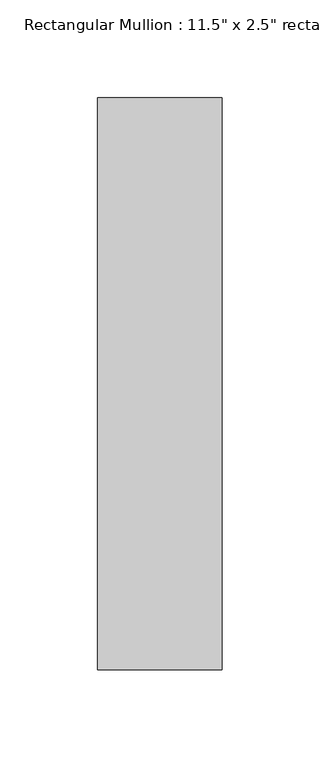
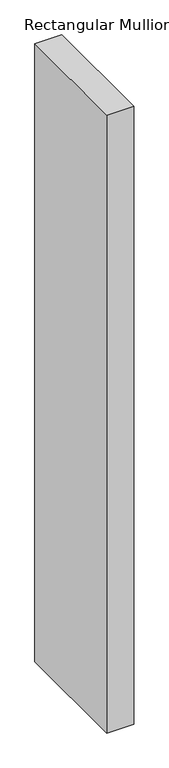
"""IFC4 building model written with IfcOpenShell, lengths in millimetres: member geometry."""

import ifcopenshell
import ifcopenshell.guid

model = None  # the IFC model being written
_history = None  # IfcOwnerHistory: only IFC2X3 demands one
_inside = {}  # id of a spatial element -> (the spatial element, [elements in it])
_under = {}  # id of a project, library or spatial element -> (it, [spatial elements below it])
_declared = {}  # id of a project -> (the project, [libraries it declares])
_typed = {}  # id of a type object -> (the type object, [elements of that type])
_made_of = {}  # id of a material, layer set ... -> (it, [elements and type objects made of it])


def new_model(schema):
    """Start an empty IFC model of exactly this schema.

    Asked for "IFC4X3", IfcOpenShell would pick the latest addendum, in which some entities
    have other attributes; the version numbers below select the first issue.
    IFC2X3 requires an IfcOwnerHistory on every rooted entity: one is made here for all.
    """
    global model, _history
    if schema == "IFC4X3":
        model = ifcopenshell.file(schema_version=(4, 3, 0, 0))
    else:
        model = ifcopenshell.file(schema=schema)
    _inside.clear()
    _under.clear()
    _declared.clear()
    _typed.clear()
    _made_of.clear()
    _history = None
    if model.schema == "IFC2X3":
        org = make("IfcOrganization", Name="unknown")
        user = make(
            "IfcPersonAndOrganization",
            ThePerson=make("IfcPerson", FamilyName="unknown"),
            TheOrganization=org,
        )
        app = make(
            "IfcApplication",
            ApplicationDeveloper=org,
            Version="unknown",
            ApplicationFullName="unknown",
            ApplicationIdentifier="unknown",
        )
        _history = make(
            "IfcOwnerHistory",
            OwningUser=user,
            OwningApplication=app,
            ChangeAction="ADDED",
            CreationDate=0,
        )
    return model


def make(cls, **values):
    """One entity of the class cls with the attributes given. An attribute that is None is left unset."""
    return model.create_entity(
        cls, **{name: value for name, value in values.items() if value is not None}
    )


def rooted(cls, **values):
    """An entity with a GlobalId (a new one), such as an element, a storey or a relation."""
    return make(cls, GlobalId=ifcopenshell.guid.new(), OwnerHistory=_history, **values)


def si_unit(unit_type, name, prefix=None):
    """IfcSIUnit, for example si_unit("LENGTHUNIT", "METRE", prefix="MILLI")."""
    return make("IfcSIUnit", UnitType=unit_type, Prefix=prefix, Name=name)


def assignment(units):
    """IfcUnitAssignment: the units of a project."""
    return None if units is None else make("IfcUnitAssignment", Units=units)


def point(xyz):
    """IfcCartesianPoint."""
    return None if xyz is None else make("IfcCartesianPoint", Coordinates=xyz)


def direction(xyz):
    """IfcDirection."""
    return None if xyz is None else make("IfcDirection", DirectionRatios=xyz)


def frame(location, z_axis=None, x_axis=None):
    """IfcAxis2Placement3D, a coordinate frame: its origin and axes. An axis left out is left unset."""
    return make(
        "IfcAxis2Placement3D",
        Location=point(location),
        Axis=direction(z_axis),
        RefDirection=direction(x_axis),
    )


def origin():
    """The frame at (0, 0, 0) with its axes left unset."""
    return frame((0.0, 0.0, 0.0))


def place(relative_to, where):
    """IfcLocalPlacement: puts the frame where relative to a parent placement (None: the world)."""
    return make(
        "IfcLocalPlacement", PlacementRelTo=relative_to, RelativePlacement=where
    )


def context(
    kind, dimensions, precision=None, world=None, true_north=None, identifier=None
):
    """IfcGeometricRepresentationContext, for example the 3D "Model" context."""
    return make(
        "IfcGeometricRepresentationContext",
        ContextIdentifier=identifier,
        ContextType=kind,
        CoordinateSpaceDimension=dimensions,
        Precision=precision,
        WorldCoordinateSystem=world,
        TrueNorth=true_north,
    )


def project(units=None, contexts=None):
    """IfcProject with its units and contexts."""
    return rooted(
        "IfcProject",
        Name="project",
        RepresentationContexts=contexts,
        UnitsInContext=assignment(units),
    )


def spatial(cls, under=None, at=None, **own):
    """A site, building, storey or space (cls), placed at a placement, below another one or the project."""
    s = rooted(cls, ObjectPlacement=at, **own)
    if under is not None:
        _under.setdefault(under.id(), (under, []))[1].append(s)
    return s


def polyline(points):
    """IfcPolyline through the points."""
    return make("IfcPolyline", Points=[point(p) for p in points])


def outline(outer, holes=None, kind="AREA"):
    """IfcArbitraryClosedProfileDef: a profile drawn as a closed curve; with holes, ...WithVoids."""
    if holes is None:
        return make("IfcArbitraryClosedProfileDef", ProfileType=kind, OuterCurve=outer)
    return make(
        "IfcArbitraryProfileDefWithVoids",
        ProfileType=kind,
        OuterCurve=outer,
        InnerCurves=holes,
    )


def extrude(swept, where, along, depth):
    """IfcExtrudedAreaSolid: the profile swept, set in the frame where, extruded along a direction by depth."""
    return make(
        "IfcExtrudedAreaSolid",
        SweptArea=swept,
        Position=where,
        ExtrudedDirection=direction(along),
        Depth=depth,
    )


def shape(context_of_items, identifier, shape_type, items):
    """IfcShapeRepresentation: the items that make up one representation, for example the "Body"."""
    return make(
        "IfcShapeRepresentation",
        ContextOfItems=context_of_items,
        RepresentationIdentifier=identifier,
        RepresentationType=shape_type,
        Items=items,
    )


def source(mapping_origin, context_of_items, identifier, shape_type, items):
    """IfcRepresentationMap: a shape defined once, which mapped items show again and again."""
    return make(
        "IfcRepresentationMap",
        MappingOrigin=mapping_origin,
        MappedRepresentation=shape(context_of_items, identifier, shape_type, items),
    )


def transform(
    local_origin,
    x_axis=None,
    y_axis=None,
    z_axis=None,
    scale=None,
    scale2=None,
    scale3=None,
    uniform=True,
):
    """IfcCartesianTransformationOperator3D, or its non-uniform kind. x_axis, y_axis, z_axis: its Axis1, 2, 3."""
    if uniform:
        return make(
            "IfcCartesianTransformationOperator3D",
            Axis1=direction(x_axis),
            Axis2=direction(y_axis),
            LocalOrigin=point(local_origin),
            Scale=scale,
            Axis3=direction(z_axis),
        )
    return make(
        "IfcCartesianTransformationOperator3DnonUniform",
        Axis1=direction(x_axis),
        Axis2=direction(y_axis),
        LocalOrigin=point(local_origin),
        Scale=scale,
        Axis3=direction(z_axis),
        Scale2=scale2,
        Scale3=scale3,
    )


def mapped(mapping_source, mapping_target):
    """IfcMappedItem: shows the shape of a source again, moved by a transform."""
    return make(
        "IfcMappedItem", MappingSource=mapping_source, MappingTarget=mapping_target
    )


def made_of(thing, what):
    """Note that an element or type object is made of a material, layer set ...; save() writes the relation."""
    if what is not None:
        _made_of.setdefault(what.id(), (what, []))[1].append(thing)
    return thing


def element(
    cls,
    number,
    at=None,
    inside=None,
    cuts=None,
    type_object=None,
    material=None,
    context=None,
    identifier="Body",
    shape_type=None,
    held_by="IfcProductDefinitionShape",
    body=None,
    shapes=None,
    **own,
):
    """One element of the class cls, such as IfcWall. Its Tag is "e" and its number.

    at: its placement. inside: the storey or other place that contains it. cuts: it is an
    opening in that element (IfcRelVoidsElement). A single representation is given by context,
    identifier, shape_type and body (its items); several are given by shapes. held_by: the class
    of the entity that holds the representations. save() writes the other relations.
    """
    e = rooted(cls, Tag="e%d" % number, ObjectPlacement=at, **own)
    if body is not None:
        shapes = [shape(context, identifier, shape_type, body)]
    if shapes is not None:
        e.Representation = make(held_by, Representations=shapes)
    if inside is not None:
        _inside.setdefault(inside.id(), (inside, []))[1].append(e)
    if cuts is not None:
        rooted(
            "IfcRelVoidsElement", RelatingBuildingElement=cuts, RelatedOpeningElement=e
        )
    if type_object is not None:
        _typed.setdefault(type_object.id(), (type_object, []))[1].append(e)
    return made_of(e, material)


def aggregate(whole, parts):
    """IfcRelAggregates: a whole, such as a stair, and the parts it consists of."""
    return rooted("IfcRelAggregates", RelatingObject=whole, RelatedObjects=parts)


def save(model, path):
    """Write the relations noted so far, then the file.

    IfcRelAggregates (storeys below a building ...), IfcRelContainedInSpatialStructure (elements
    in a storey), IfcRelDefinesByType, IfcRelAssociatesMaterial and IfcRelDeclares: one each for
    every whole, place, type object, material and project.
    """
    for whole, parts in _under.values():
        aggregate(whole, parts)
    for where, things in _inside.values():
        rooted(
            "IfcRelContainedInSpatialStructure",
            RelatedElements=things,
            RelatingStructure=where,
        )
    for kind, things in _typed.values():
        rooted("IfcRelDefinesByType", RelatedObjects=things, RelatingType=kind)
    for what, things in _made_of.values():
        rooted("IfcRelAssociatesMaterial", RelatedObjects=things, RelatingMaterial=what)
    for by, libraries in _declared.values():
        rooted("IfcRelDeclares", RelatingContext=by, RelatedDefinitions=libraries)
    model.write(path)


def member_1fbc1f81(model_context):
    return source(origin(), model_context, "Body", "SweptSolid", [
        extrude(outline(polyline([(0.0, 203.2), (0.0, -88.9), (-63.5, -88.9), (-63.5, 203.2), (0.0, 203.2)])), frame((0.0, 0.0, -1536.7), z_axis=(0.0, 0.0, 1.0), x_axis=(1.0, 0.0, 0.0)), (0.0, 0.0, 1.0), 1536.7),
    ])


if __name__ == "__main__":
    model = new_model("IFC4")
    model_context = context("Model", 3, world=origin())
    ifc_project = project(units=[si_unit("LENGTHUNIT", "METRE", prefix="MILLI")], contexts=[model_context])
    site = spatial("IfcSite", under=ifc_project)
    building = spatial("IfcBuilding", under=site)
    placement = place(None, origin())
    member_shape = member_1fbc1f81(model_context)
    element("IfcMember", 1, ObjectType="Rectangular Mullion : 11.5\" x 2.5\" rectangular", at=placement, inside=building, context=model_context, shape_type="MappedRepresentation", body=[
        mapped(member_shape, transform((0.0, 0.0, 0.0), x_axis=(1.0, 0.0, 0.0), y_axis=(0.0, 1.0, 0.0), z_axis=(0.0, 0.0, 1.0))),
    ])
    save(model, "model.ifc")
